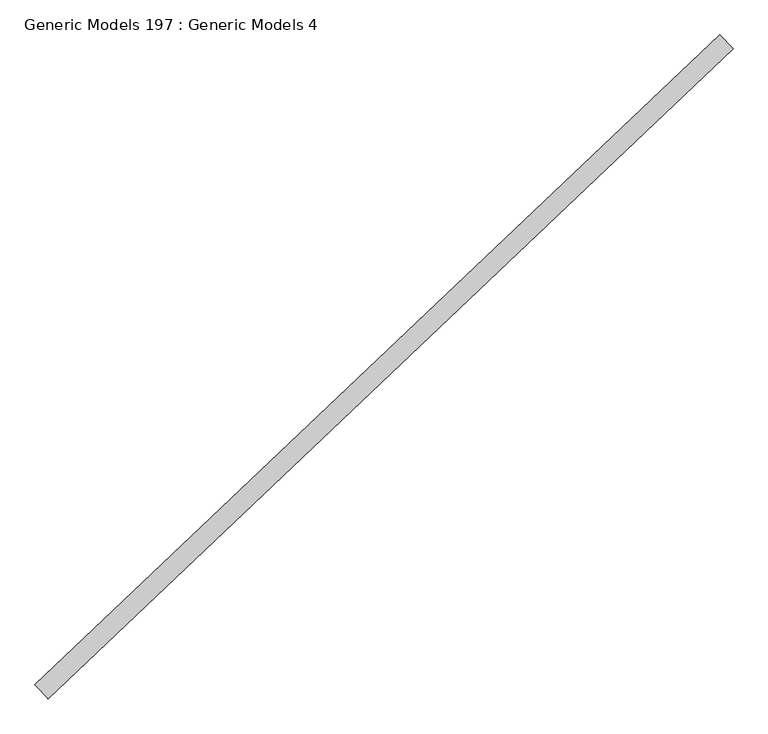
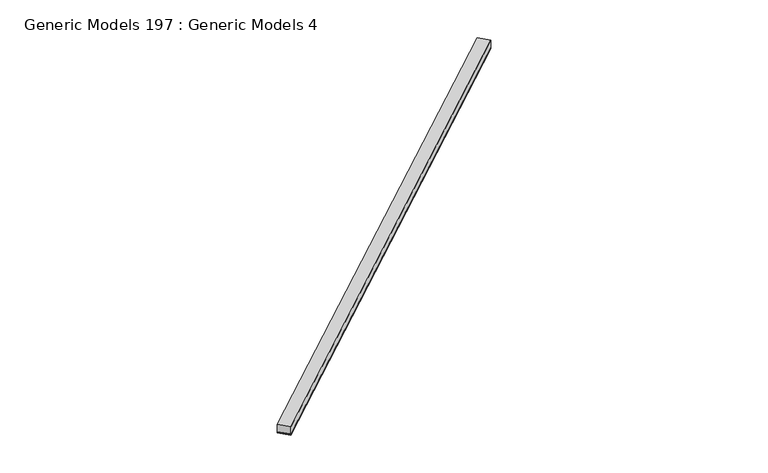
"""IFC4 building model written with IfcOpenShell, lengths in millimetres: proxy geometry, Generic Models 197 : Generic Models 4."""

from ifc_helpers import new_model, si_unit, point, frame, frame_2d, origin, place, context, project, spatial, polyline, circle_curve, trimmed, segment, composite_curve, outline, extrude, source, transform, mapped, element, save


def generic_models_197_generic_models_4_9d7f1133(model_context):
    return source(origin(), model_context, "Body", "SweptSolid", [
        extrude(outline(composite_curve([segment(polyline([(92.075, -9.128125), (0.0, -9.128125)]), True, "CONTINUOUS"), segment(trimmed(circle_curve(frame_2d((-4.4149557, -4.5640625)), 6.35), [point((0.0, -9.128125))], [point((0.0, 0.0))], True, "CARTESIAN"), True, "CONTINUOUS"), segment(polyline([(0.0, 0.0), (92.075, 0.0)]), True, "CONTINUOUS"), segment(trimmed(circle_curve(frame_2d((96.4899556, -4.5640625)), 6.35), [point((92.075, 0.0))], [point((92.075, -9.128125))], True, "CARTESIAN"), True, "CONTINUOUS")], self_intersect=False)), frame((99763.4645275, 57298.7606646, 17034.4628084), z_axis=(0.7253743710123147, 0.6883545756937256, 0.0), x_axis=(0.6883545756937256, -0.7253743710123147, 0.0)), (0.0, 0.0, 1.0), 4530.725),
        extrude(outline(polyline([(99826.844775, 57231.9718194), (99763.4645275, 57298.7606646), (103049.9363246, 60417.5059496), (103113.3165721, 60350.7171044), (99826.844775, 57231.9718194)])), frame((0.0, 0.0, 17043.9878084), z_axis=(0.0, 0.0, 1.0), x_axis=(1.0, 0.0, 0.0)), (0.0, 0.0, 1.0), 57.15),
    ])


if __name__ == "__main__":
    model = new_model("IFC4")
    model_context = context("Model", 3, world=origin())
    ifc_project = project(units=[si_unit("LENGTHUNIT", "METRE", prefix="MILLI")], contexts=[model_context])
    site = spatial("IfcSite", under=ifc_project)
    building = spatial("IfcBuilding", under=site)
    placement = place(None, origin())
    generic_models_197_generic_models_4_shape = generic_models_197_generic_models_4_9d7f1133(model_context)
    element("IfcBuildingElementProxy", 1, Name="Generic Models 197 : Generic Models 4", ObjectType="Generic Models 197 : Generic Models 4", at=placement, inside=building, context=model_context, shape_type="MappedRepresentation", body=[
        mapped(generic_models_197_generic_models_4_shape, transform((0.0, 0.0, 0.0), x_axis=(1.0, 0.0, 0.0), y_axis=(0.0, 1.0, 0.0), z_axis=(0.0, 0.0, 1.0))),
    ])
    save(model, "model.ifc")
